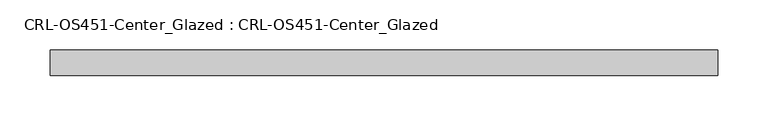
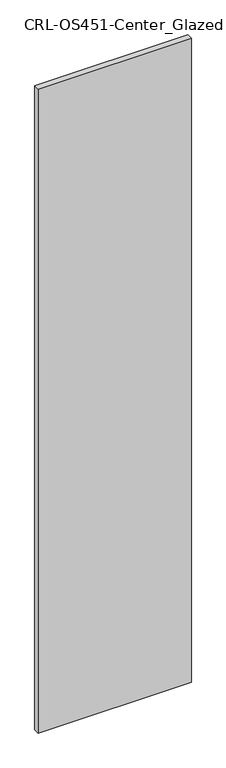
"""IFC4 building model written with IfcOpenShell, lengths in millimetres: plate geometry, CRL-OS451-Center_Glazed : CRL-OS451-Center_Glazed."""

from ifc_helpers import new_model, si_unit, origin, origin_with_axes, place, context, project, spatial, polyline, outline, extrude, source, transform, mapped, element, save


def crl_os451_center_glazed_crl_os451_center_glazed_3cd75972(model_context):
    return source(origin(), model_context, "Body", "SweptSolid", [
        extrude(outline(polyline([(-332.6873228, -12.709956), (-332.6873228, 12.709956), (332.6873228, 12.709956), (332.6873228, -12.709956), (-332.6873228, -12.709956)])), origin_with_axes(), (0.0, 0.0, 1.0), 2955.9185784),
    ])


if __name__ == "__main__":
    model = new_model("IFC4")
    model_context = context("Model", 3, world=origin())
    ifc_project = project(units=[si_unit("LENGTHUNIT", "METRE", prefix="MILLI")], contexts=[model_context])
    site = spatial("IfcSite", under=ifc_project)
    building = spatial("IfcBuilding", under=site)
    placement = place(None, origin())
    crl_os451_center_glazed_crl_os451_center_glazed_shape = crl_os451_center_glazed_crl_os451_center_glazed_3cd75972(model_context)
    element("IfcPlate", 1, ObjectType="CRL-OS451-Center_Glazed : CRL-OS451-Center_Glazed", at=placement, inside=building, context=model_context, shape_type="MappedRepresentation", body=[
        mapped(crl_os451_center_glazed_crl_os451_center_glazed_shape, transform((0.0, 0.0, 0.0), x_axis=(1.0, 0.0, 0.0), y_axis=(0.0, 1.0, 0.0), z_axis=(0.0, 0.0, 1.0))),
    ])
    save(model, "model.ifc")
